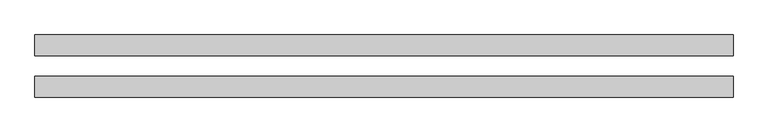
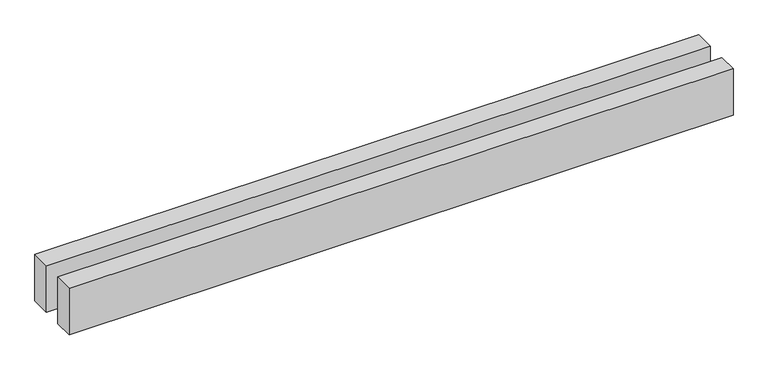
"""IFC4 building model written with IfcOpenShell, lengths in millimetres: proxy geometry."""

from ifc_helpers import new_model, si_unit, origin, origin_with_axes, place, context, project, spatial, polyline, outline, extrude, source, transform, mapped, element, save


def generic_models_cfe13b2b(model_context):
    return source(origin(), model_context, "Body", "SweptSolid", [
        extrude(outline(polyline([(6740.28088, 300.0), (6740.28088, 100.0), (0.0, 100.0), (0.0, 300.0), (6740.28088, 300.0)])), origin_with_axes(), (0.0, 0.0, 1.0), 500.0),
        extrude(outline(polyline([(6740.28088, -100.0), (6740.28088, -300.0), (0.0, -300.0), (0.0, -100.0), (6740.28088, -100.0)])), origin_with_axes(), (0.0, 0.0, 1.0), 500.0),
    ])


if __name__ == "__main__":
    model = new_model("IFC4")
    model_context = context("Model", 3, world=origin())
    ifc_project = project(units=[si_unit("LENGTHUNIT", "METRE", prefix="MILLI")], contexts=[model_context])
    site = spatial("IfcSite", under=ifc_project)
    building = spatial("IfcBuilding", under=site)
    placement = place(None, origin())
    generic_models_shape = generic_models_cfe13b2b(model_context)
    element("IfcBuildingElementProxy", 1, Name="Generic Models", at=placement, inside=building, context=model_context, shape_type="MappedRepresentation", body=[
        mapped(generic_models_shape, transform((0.0, 0.0, 0.0), x_axis=(1.0, 0.0, 0.0), y_axis=(0.0, 1.0, 0.0), z_axis=(0.0, 0.0, 1.0))),
    ])
    save(model, "model.ifc")
